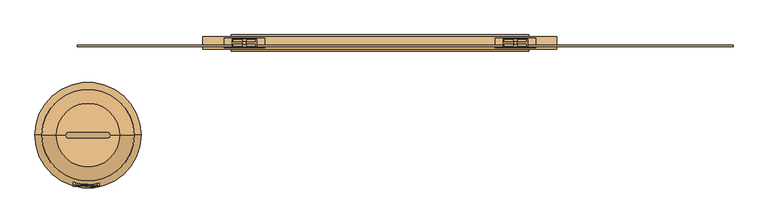
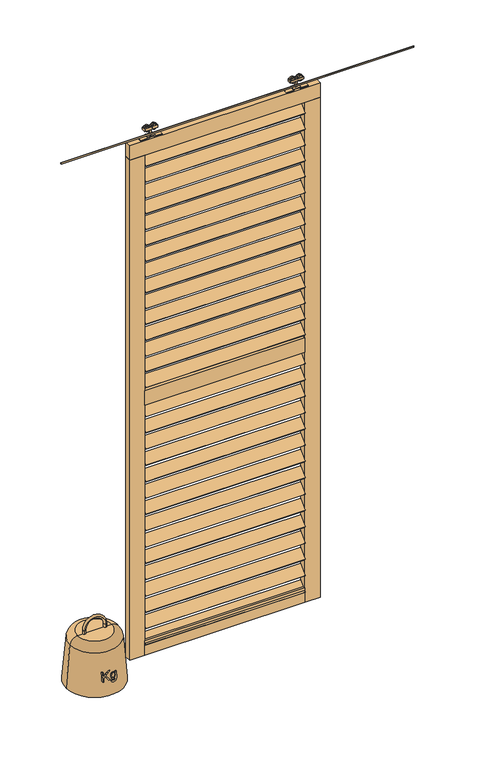
"""IFC4 building model written with IfcOpenShell, lengths in millimetres: door geometry."""

from ifc_helpers import new_model, si_unit, point, frame, frame_2d, origin, place, context, project, spatial, polyline, circle_curve, ellipse_curve, trimmed, segment, composite_curve, outline, extrude, source, transform, mapped, element, save
from ifc_brep_helpers import plane_surface, cylinder_surface, revolved_surface, advanced_brep


def door_82ee555a(model_context):
    return source(origin(), model_context, "Body", "SolidModel", [
        extrude(outline(polyline([(0.0, -5.0), (0.0, 0.0), (840.0, 0.0), (840.0, -5.0), (0.0, -5.0)])), frame((-422.5, -24.1880102, 2668.197601), z_axis=(0.0, 0.7071067811865482, 0.707106781186547), x_axis=(1.0, 0.0, 0.0)), (0.0, 0.0, 1.0), 60.0),
        extrude(outline(polyline([(0.0, -5.0), (0.0, 0.0), (840.0, 0.0), (840.0, -5.0), (0.0, -5.0)])), frame((-422.5, -24.1880102, 2580.3761725), z_axis=(0.0, 0.7071067811865482, 0.707106781186547), x_axis=(1.0, 0.0, 0.0)), (0.0, 0.0, 1.0), 60.0),
        extrude(outline(polyline([(0.0, -5.0), (0.0, 0.0), (840.0, 0.0), (840.0, -5.0), (0.0, -5.0)])), frame((-422.5, -24.1880102, 2492.5547439), z_axis=(0.0, 0.7071067811865482, 0.707106781186547), x_axis=(1.0, 0.0, 0.0)), (0.0, 0.0, 1.0), 60.0),
        extrude(outline(polyline([(0.0, -5.0), (0.0, 0.0), (840.0, 0.0), (840.0, -5.0), (0.0, -5.0)])), frame((-422.5, -24.1880102, 2404.7333153), z_axis=(0.0, 0.7071067811865482, 0.707106781186547), x_axis=(1.0, 0.0, 0.0)), (0.0, 0.0, 1.0), 60.0),
        extrude(outline(polyline([(0.0, -5.0), (0.0, 0.0), (840.0, 0.0), (840.0, -5.0), (0.0, -5.0)])), frame((-422.5, -24.1880102, 1275.8404582), z_axis=(0.0, 0.7071067811865482, 0.707106781186547), x_axis=(1.0, 0.0, 0.0)), (0.0, 0.0, 1.0), 60.0),
        extrude(outline(polyline([(0.0, -5.0), (0.0, 0.0), (840.0, 0.0), (840.0, -5.0), (0.0, -5.0)])), frame((-422.5, -24.1880102, 1185.1618868), z_axis=(0.0, 0.7071067811865482, 0.707106781186547), x_axis=(1.0, 0.0, 0.0)), (0.0, 0.0, 1.0), 60.0),
        extrude(outline(polyline([(0.0, -5.0), (0.0, 0.0), (840.0, 0.0), (840.0, -5.0), (0.0, -5.0)])), frame((-422.5, -24.1880102, 1094.4833153), z_axis=(0.0, 0.7071067811865482, 0.707106781186547), x_axis=(1.0, 0.0, 0.0)), (0.0, 0.0, 1.0), 60.0),
        extrude(outline(polyline([(0.0, -5.0), (0.0, 0.0), (840.0, 0.0), (840.0, -5.0), (0.0, -5.0)])), frame((-422.5, -24.1880102, 1003.8047439), z_axis=(0.0, 0.7071067811865482, 0.707106781186547), x_axis=(1.0, 0.0, 0.0)), (0.0, 0.0, 1.0), 60.0),
        extrude(outline(polyline([(0.0, -5.0), (0.0, 0.0), (840.0, 0.0), (840.0, -5.0), (0.0, -5.0)])), frame((-422.5, -24.1880102, 2316.9118868), z_axis=(0.0, 0.7071067811865482, 0.707106781186547), x_axis=(1.0, 0.0, 0.0)), (0.0, 0.0, 1.0), 60.0),
        extrude(outline(polyline([(0.0, -5.0), (0.0, 0.0), (840.0, 0.0), (840.0, -5.0), (0.0, -5.0)])), frame((-422.5, -24.1880102, 2229.0904582), z_axis=(0.0, 0.7071067811865482, 0.707106781186547), x_axis=(1.0, 0.0, 0.0)), (0.0, 0.0, 1.0), 60.0),
        extrude(outline(polyline([(0.0, -5.0), (0.0, 0.0), (840.0, 0.0), (840.0, -5.0), (0.0, -5.0)])), frame((-422.5, -24.1880102, 2141.2690296), z_axis=(0.0, 0.7071067811865482, 0.707106781186547), x_axis=(1.0, 0.0, 0.0)), (0.0, 0.0, 1.0), 60.0),
        extrude(outline(polyline([(0.0, -5.0), (0.0, 0.0), (840.0, 0.0), (840.0, -5.0), (0.0, -5.0)])), frame((-422.5, -24.1880102, 2053.447601), z_axis=(0.0, 0.7071067811865482, 0.707106781186547), x_axis=(1.0, 0.0, 0.0)), (0.0, 0.0, 1.0), 60.0),
        extrude(outline(polyline([(0.0, -5.0), (0.0, 0.0), (840.0, 0.0), (840.0, -5.0), (0.0, -5.0)])), frame((-422.5, -24.1880102, 913.1261725), z_axis=(0.0, 0.7071067811865482, 0.707106781186547), x_axis=(1.0, 0.0, 0.0)), (0.0, 0.0, 1.0), 60.0),
        extrude(outline(polyline([(0.0, -5.0), (0.0, 0.0), (840.0, 0.0), (840.0, -5.0), (0.0, -5.0)])), frame((-422.5, -24.1880102, 822.447601), z_axis=(0.0, 0.7071067811865482, 0.707106781186547), x_axis=(1.0, 0.0, 0.0)), (0.0, 0.0, 1.0), 60.0),
        extrude(outline(polyline([(0.0, -5.0), (0.0, 0.0), (840.0, 0.0), (840.0, -5.0), (0.0, -5.0)])), frame((-422.5, -24.1880102, 731.7690296), z_axis=(0.0, 0.7071067811865482, 0.707106781186547), x_axis=(1.0, 0.0, 0.0)), (0.0, 0.0, 1.0), 60.0),
        extrude(outline(polyline([(0.0, -5.0), (0.0, 0.0), (840.0, 0.0), (840.0, -5.0), (0.0, -5.0)])), frame((-422.5, -24.1880102, 641.0904582), z_axis=(0.0, 0.7071067811865482, 0.707106781186547), x_axis=(1.0, 0.0, 0.0)), (0.0, 0.0, 1.0), 60.0),
        extrude(outline(polyline([(0.0, -5.0), (0.0, 0.0), (840.0, 0.0), (840.0, -5.0), (0.0, -5.0)])), frame((-422.5, -24.1880102, 1965.6261725), z_axis=(0.0, 0.7071067811865482, 0.707106781186547), x_axis=(1.0, 0.0, 0.0)), (0.0, 0.0, 1.0), 60.0),
        extrude(outline(polyline([(0.0, -5.0), (0.0, 0.0), (840.0, 0.0), (840.0, -5.0), (0.0, -5.0)])), frame((-422.5, -24.1880102, 1877.8047439), z_axis=(0.0, 0.7071067811865482, 0.707106781186547), x_axis=(1.0, 0.0, 0.0)), (0.0, 0.0, 1.0), 60.0),
        extrude(outline(polyline([(0.0, -5.0), (0.0, 0.0), (840.0, 0.0), (840.0, -5.0), (0.0, -5.0)])), frame((-422.5, -24.1880102, 1789.9833153), z_axis=(0.0, 0.7071067811865482, 0.707106781186547), x_axis=(1.0, 0.0, 0.0)), (0.0, 0.0, 1.0), 60.0),
        extrude(outline(polyline([(0.0, -5.0), (0.0, 0.0), (840.0, 0.0), (840.0, -5.0), (0.0, -5.0)])), frame((-422.5, -24.1880102, 1702.1618868), z_axis=(0.0, 0.7071067811865482, 0.707106781186547), x_axis=(1.0, 0.0, 0.0)), (0.0, 0.0, 1.0), 60.0),
        extrude(outline(polyline([(0.0, -5.0), (0.0, 0.0), (840.0, 0.0), (840.0, -5.0), (0.0, -5.0)])), frame((-422.5, -24.1880102, 1614.3404582), z_axis=(0.0, 0.7071067811865482, 0.707106781186547), x_axis=(1.0, 0.0, 0.0)), (0.0, 0.0, 1.0), 60.0),
        extrude(outline(polyline([(0.0, -5.0), (0.0, 0.0), (840.0, 0.0), (840.0, -5.0), (0.0, -5.0)])), frame((-422.5, -24.1880102, 2756.0190296), z_axis=(0.0, 0.7071067811865482, 0.707106781186547), x_axis=(1.0, 0.0, 0.0)), (0.0, 0.0, 1.0), 60.0),
        extrude(outline(polyline([(0.0, -5.0), (0.0, 0.0), (840.0, 0.0), (840.0, -5.0), (0.0, -5.0)])), frame((-422.5, -24.1880102, 1526.5190296), z_axis=(0.0, 0.7071067811865482, 0.707106781186547), x_axis=(1.0, 0.0, 0.0)), (0.0, 0.0, 1.0), 60.0),
        extrude(outline(polyline([(0.0, -5.0), (0.0, 0.0), (840.0, 0.0), (840.0, -5.0), (0.0, -5.0)])), frame((-422.5, -24.1880102, 550.4118868), z_axis=(0.0, 0.7071067811865482, 0.707106781186547), x_axis=(1.0, 0.0, 0.0)), (0.0, 0.0, 1.0), 60.0),
        extrude(outline(polyline([(0.0, -5.0), (0.0, 0.0), (840.0, 0.0), (840.0, -5.0), (0.0, -5.0)])), frame((-422.5, -24.1880102, 459.7333153), z_axis=(0.0, 0.7071067811865482, 0.707106781186547), x_axis=(1.0, 0.0, 0.0)), (0.0, 0.0, 1.0), 60.0),
        extrude(outline(polyline([(0.0, -5.0), (0.0, 0.0), (840.0, 0.0), (840.0, -5.0), (0.0, -5.0)])), frame((-422.5, -24.1880102, 369.0547439), z_axis=(0.0, 0.7071067811865482, 0.707106781186547), x_axis=(1.0, 0.0, 0.0)), (0.0, 0.0, 1.0), 60.0),
        extrude(outline(polyline([(0.0, -5.0), (0.0, 0.0), (840.0, 0.0), (840.0, -5.0), (0.0, -5.0)])), frame((-422.5, -24.1880102, 278.3761725), z_axis=(0.0, 0.7071067811865482, 0.707106781186547), x_axis=(1.0, 0.0, 0.0)), (0.0, 0.0, 1.0), 60.0),
        extrude(outline(polyline([(0.0, -5.0), (0.0, 0.0), (840.0, 0.0), (840.0, -5.0), (0.0, -5.0)])), frame((-422.5, -24.1880102, 187.697601), z_axis=(0.0, 0.7071067811865482, 0.707106781186547), x_axis=(1.0, 0.0, 0.0)), (0.0, 0.0, 1.0), 60.0),
        extrude(outline(polyline([(0.0, -5.0), (0.0, 0.0), (840.0, 0.0), (840.0, -5.0), (0.0, -5.0)])), frame((-422.5, -24.1880102, 1366.5190296), z_axis=(0.0, 0.7071067811865482, 0.707106781186547), x_axis=(1.0, 0.0, 0.0)), (0.0, 0.0, 1.0), 60.0),
        extrude(outline(polyline([(0.0, -5.0), (0.0, 0.0), (840.0, 0.0), (840.0, -5.0), (0.0, -5.0)])), frame((-422.5, -24.1880102, 97.0190296), z_axis=(0.0, 0.7071067811865482, 0.707106781186547), x_axis=(1.0, 0.0, 0.0)), (0.0, 0.0, 1.0), 60.0),
        extrude(outline(polyline([(417.5, -22.2425737), (-422.5, -22.2425737), (-422.5, 12.7574263), (417.5, 12.7574263), (417.5, -22.2425737)])), frame((0.0, 0.0, 1429.5), z_axis=(0.0, 0.0, 1.0), x_axis=(1.0, 0.0, 0.0)), (0.0, 0.0, 1.0), 80.0),
        extrude(outline(polyline([(417.5, -22.2425737), (-422.5, -22.2425737), (-422.5, 12.7574263), (417.5, 12.7574263), (417.5, -22.2425737)])), frame((0.0, 0.0, 40.0), z_axis=(0.0, 0.0, 1.0), x_axis=(1.0, 0.0, 0.0)), (0.0, 0.0, 1.0), 80.0),
        extrude(outline(polyline([(497.5, -22.2425737), (-502.5, -22.2425737), (-502.5, 12.7574263), (497.5, 12.7574263), (497.5, -22.2425737)])), frame((0.0, 0.0, 2819.0), z_axis=(0.0, 0.0, 1.0), x_axis=(1.0, 0.0, 0.0)), (0.0, 0.0, 1.0), 80.0),
        extrude(outline(polyline([(-422.5, -22.2425737), (-502.5, -22.2425737), (-502.5, 12.7574263), (-422.5, 12.7574263), (-422.5, -22.2425737)])), frame((0.0, 0.0, 40.0), z_axis=(0.0, 0.0, 1.0), x_axis=(1.0, 0.0, 0.0)), (0.0, 0.0, 1.0), 2779.0),
        extrude(outline(polyline([(497.5, -22.2425737), (417.5, -22.2425737), (417.5, 12.7574263), (497.5, 12.7574263), (497.5, -22.2425737)])), frame((0.0, 0.0, 40.0), z_axis=(0.0, 0.0, 1.0), x_axis=(1.0, 0.0, 0.0)), (0.0, 0.0, 1.0), 2779.0),
        extrude(outline(polyline([(6.2785194, 0.0), (6.2785194, -50.2281551), (0.0, -50.2281551), (0.0, -25.6413751), (-25.7517396, -50.2281551), (-34.5318566, -50.2281551), (-12.912658, -29.5777124), (-35.3166715, 0.0), (-27.6402006, 0.0), (-8.4612859, -25.3348068), (0.0, -17.2659284), (0.0, 0.0), (6.2785194, 0.0)])), frame((-863.2995538, -398.5212701, 280.1100723), z_axis=(0.0, -0.9961946980917454, 0.0871557427476597), x_axis=(-1.0, 0.0, 0.0)), (0.0, 0.0, 1.0), 12.0),
        extrude(outline(polyline([(9.6354382, -1e-07), (6.4107788, -5.4440162), (2.562612, -5.9895852), (-1.1508793, -11.0203045), (-2.264077, -17.5435275), (0.5832507, -22.1257575), (7.1249282, -25.4402006), (6.7211591, -14.565902), (10.5604097, -9.1770028), (16.2559555, -6.3911654), (29.9074113, -7.9647406), (38.1130915, -13.4943345), (42.3523667, -21.0091694), (41.3863337, -29.3148905), (32.3124298, -36.3996478), (36.6302872, -38.2784102), (34.1252706, -44.0355535), (4.923511, -31.3294443), (-5.5740995, -24.8895244), (-8.6047712, -17.6397918), (-6.8590964, -8.4028437), (0.0, 0.0), (9.6354382, -1e-07)]), holes=[polyline([(27.7959496, -13.8931252), (17.8157111, -12.4726373), (12.3266314, -17.4194955), (12.4365435, -24.789183), (20.1122337, -31.0911656), (29.8128638, -32.2629457), (35.3943452, -27.3496062), (35.1736627, -20.0654535), (27.7959496, -13.8931252)])]), frame((-821.7840707, -399.5649217, 268.1810802), z_axis=(0.0, -0.9961946980917454, 0.08715574274765969), x_axis=(-0.3989820462118696, 0.07991821986062385, 0.9134694329504949)), (0.0, 0.0, 1.0), 12.0),
        advanced_brep(
        [(-772.5, -273.0299933, 490.0), (-882.5, -273.0299933, 490.0), (-882.5, -258.0299933, 490.0), (-772.5, -258.0299933, 490.0), (-882.5, -258.0299933, 470.0), (-882.5, -273.0299933, 470.0), (-772.5, -258.0299933, 470.0), (-772.5, -273.0299933, 470.0)],
        [
            (0, 1, circle_curve(frame((-827.5, -273.0299933, 490.0), z_axis=(0.0, -1.0, 0.0), x_axis=(-1.0, 0.0, 0.0)), 55.0)),
            (1, 2, circle_curve(frame((-882.5, -265.5299933, 490.0), z_axis=(0.0, 0.0, 1.0), x_axis=(0.0, -1.0, 0.0)), 7.5)),
            (2, 3, circle_curve(frame((-827.5, -258.0299933, 490.0), z_axis=(0.0, 1.0, 0.0), x_axis=(-1.0, 0.0, 0.0)), 55.0)),
            (3, 0, circle_curve(frame((-772.5, -265.5299933, 490.0), z_axis=(0.0, 0.0, 1.0), x_axis=(0.0, -1.0, 0.0)), 7.5)),
            (2, 1, circle_curve(frame((-882.5, -265.5299933, 490.0), z_axis=(0.0, 0.0, 1.0), x_axis=(0.0, -1.0, 0.0)), 7.5)),
            (0, 3, circle_curve(frame((-772.5, -265.5299933, 490.0), z_axis=(0.0, 0.0, 1.0), x_axis=(0.0, -1.0, 0.0)), 7.5)),
            (4, 5, circle_curve(frame((-882.5, -265.5299933, 470.0), z_axis=(0.0, 0.0, -1.0), x_axis=(0.0, -1.0, 0.0)), 7.5)),
            (5, 4, circle_curve(frame((-882.5, -265.5299933, 470.0), z_axis=(0.0, 0.0, -1.0), x_axis=(0.0, -1.0, 0.0)), 7.5)),
            (4, 2),
            (1, 5),
            (6, 7, circle_curve(frame((-772.5, -265.5299933, 470.0), z_axis=(0.0, 0.0, -1.0), x_axis=(0.0, -1.0, 0.0)), 7.5)),
            (7, 6, circle_curve(frame((-772.5, -265.5299933, 470.0), z_axis=(0.0, 0.0, -1.0), x_axis=(0.0, -1.0, 0.0)), 7.5)),
            (3, 6),
            (7, 0),
        ],
        [
            revolved_surface(trimmed(ellipse_curve(frame((-882.5, -265.5299933, 490.0), z_axis=(0.0, 0.0, -1.0), x_axis=(0.0, -1.0, 0.0)), 7.5, 7.5), [point((-882.5, -258.0299933, 490.0))], [point((-882.5, -273.0299933, 490.0))], True, "CARTESIAN"), (-827.5, -265.5299933, 490.0), (0.0, 1.0, 0.0)),
            revolved_surface(trimmed(ellipse_curve(frame((-882.5, -265.5299933, 490.0), z_axis=(0.0, 0.0, -1.0), x_axis=(0.0, -1.0, 0.0)), 7.5, 7.5), [point((-882.5, -273.0299933, 490.0))], [point((-882.5, -258.0299933, 490.0))], True, "CARTESIAN"), (-827.5, -265.5299933, 490.0), (0.0, 1.0, 0.0)),
            plane_surface(frame((-882.5, -265.5299933, 470.0), z_axis=(0.0, 0.0, -1.0), x_axis=(0.0, -1.0, 0.0))),
            cylinder_surface(frame((-882.5, -265.5299933, 470.0), z_axis=(0.0, 0.0, -1.0), x_axis=(0.0, -1.0, 0.0)), 7.5),
            plane_surface(frame((-772.5, -265.5299933, 470.0), z_axis=(0.0, 0.0, -1.0), x_axis=(0.0, -1.0, 0.0))),
            cylinder_surface(frame((-772.5, -265.5299933, 490.0), z_axis=(0.0, 0.0, 1.0), x_axis=(0.0, -1.0, 0.0)), 7.5),
        ],
        [
            (0, [[1, 2, 3, 4]]),
            (1, [[-3, 5, -1, 6]]),
            (2, [[7, 8]]),
            (3, [[-7, 9, -2, 10]]),
            (3, [[-8, -10, -5, -9]]),
            (4, [[11, 12]]),
            (5, [[-4, 13, -12, 14]]),
            (5, [[-6, -14, -11, -13]]),
        ],
    ),
        advanced_brep(
        [(-957.9466731, -265.5299933, 433.3401934), (-697.0533269, -265.5299933, 433.3401934), (-677.5, -265.5299933, 200.0), (-977.5, -265.5299933, 200.0), (-918.0863782, -265.5299933, 470.0), (-736.9136218, -265.5299933, 470.0), (-827.5, -265.5299933, 470.0), (-827.5, -265.5299933, 200.0)],
        [
            (0, 1, circle_curve(frame((-827.5, -265.5299933, 433.3401934), z_axis=(0.0, 0.0, -1.0), x_axis=(1.0, 0.0, 0.0)), 130.4466731)),
            (1, 2),
            (2, 3, circle_curve(frame((-827.5, -265.5299933, 200.0), z_axis=(0.0, 0.0, 1.0), x_axis=(1.0, 0.0, 0.0)), 150.0)),
            (3, 0),
            (1, 0, circle_curve(frame((-827.5, -265.5299933, 433.3401934), z_axis=(0.0, 0.0, -1.0), x_axis=(1.0, 0.0, 0.0)), 130.4466731)),
            (3, 2, circle_curve(frame((-827.5, -265.5299933, 200.0), z_axis=(0.0, 0.0, 1.0), x_axis=(1.0, 0.0, 0.0)), 150.0)),
            (4, 5, circle_curve(frame((-827.5, -265.5299933, 470.0), z_axis=(0.0, 0.0, -1.0), x_axis=(1.0, 0.0, 0.0)), 90.5863782)),
            (5, 1, circle_curve(frame((-736.9136218, -265.5299933, 430.0), z_axis=(0.0, 1.0, 0.0), x_axis=(1.0, 0.0, 0.0)), 40.0)),
            (0, 4, circle_curve(frame((-918.0863782, -265.5299933, 430.0), z_axis=(0.0, 1.0, 0.0), x_axis=(-1.0, 0.0, 0.0)), 40.0)),
            (5, 4, circle_curve(frame((-827.5, -265.5299933, 470.0), z_axis=(0.0, 0.0, -1.0), x_axis=(1.0, 0.0, 0.0)), 90.5863782)),
            (6, 5),
            (4, 6),
            (2, 7),
            (7, 3),
        ],
        [
            revolved_surface(polyline([(-677.5, -265.5299933, 200.0), (-697.0533269, -265.5299933, 433.3401934)]), (-827.5, -265.5299933, 525.0), (0.0, 0.0, 1.0)),
            revolved_surface(trimmed(ellipse_curve(frame((-736.9136218, -265.5299933, 430.0), z_axis=(0.0, -1.0, 0.0), x_axis=(1.0, 0.0, 0.0)), 40.0, 40.0), [point((-697.0533269, -265.5299933, 433.3401934))], [point((-736.9136218, -265.5299933, 470.0))], True, "CARTESIAN"), (-827.5, -265.5299933, 525.0), (0.0, 0.0, 1.0)),
            plane_surface(frame((-827.5, -265.5299933, 470.0), z_axis=(0.0, 0.0, 1.0), x_axis=(1.0, 0.0, 0.0))),
            plane_surface(frame((-827.5, -265.5299933, 200.0), z_axis=(0.0, 0.0, -1.0), x_axis=(1.0, 0.0, 0.0))),
        ],
        [
            (0, [[1, 2, 3, 4]]),
            (0, [[5, -4, 6, -2]]),
            (1, [[7, 8, -1, 9]]),
            (1, [[10, -9, -5, -8]]),
            (2, [[11, -7, 12]]),
            (2, [[-12, -10, -11]]),
            (3, [[-3, 13, 14]]),
            (3, [[-6, -14, -13]]),
        ],
    ),
        extrude(outline(composite_curve([segment(trimmed(circle_curve(frame_2d((2952.430297, -404.25)), 13.5), [point((2952.430297, -417.75))], [point((2952.430297, -390.75))], False, "CARTESIAN"), True, "CONTINUOUS"), segment(trimmed(circle_curve(frame_2d((2952.430297, -404.25)), 13.5), [point((2952.430297, -390.75))], [point((2952.430297, -417.75))], False, "CARTESIAN"), True, "CONTINUOUS")], self_intersect=False)), frame((0.0, -13.9509888, 0.0), z_axis=(0.0, 1.0, 0.0), x_axis=(0.0, 0.0, 1.0)), (0.0, 0.0, 1.0), 5.2084151),
        extrude(outline(composite_curve([segment(trimmed(circle_curve(frame_2d((2952.430297, -366.75)), 13.5), [point((2952.430297, -353.25))], [point((2952.430297, -380.25))], False, "CARTESIAN"), True, "CONTINUOUS"), segment(trimmed(circle_curve(frame_2d((2952.430297, -366.75)), 13.5), [point((2952.430297, -380.25))], [point((2952.430297, -353.25))], False, "CARTESIAN"), True, "CONTINUOUS")], self_intersect=False)), frame((0.0, -13.9509888, 0.0), z_axis=(0.0, 1.0, 0.0), x_axis=(0.0, 0.0, 1.0)), (0.0, 0.0, 1.0), 5.2084151),
        extrude(outline(composite_curve([segment(trimmed(circle_curve(frame_2d((2952.430297, -404.25)), 13.5), [point((2952.430297, -417.75))], [point((2952.430297, -390.75))], False, "CARTESIAN"), True, "CONTINUOUS"), segment(trimmed(circle_curve(frame_2d((2952.430297, -404.25)), 13.5), [point((2952.430297, -390.75))], [point((2952.430297, -417.75))], False, "CARTESIAN"), True, "CONTINUOUS")], self_intersect=False)), frame((0.0, -0.7425737, 0.0), z_axis=(0.0, 1.0, 0.0), x_axis=(0.0, 0.0, 1.0)), (0.0, 0.0, 1.0), 5.0880554),
        extrude(outline(composite_curve([segment(trimmed(circle_curve(frame_2d((2952.430297, -366.75)), 13.5), [point((2952.430297, -353.25))], [point((2952.430297, -380.25))], False, "CARTESIAN"), True, "CONTINUOUS"), segment(trimmed(circle_curve(frame_2d((2952.430297, -366.75)), 13.5), [point((2952.430297, -380.25))], [point((2952.430297, -353.25))], False, "CARTESIAN"), True, "CONTINUOUS")], self_intersect=False)), frame((0.0, -0.7425737, 0.0), z_axis=(0.0, 1.0, 0.0), x_axis=(0.0, 0.0, 1.0)), (0.0, 0.0, 1.0), 5.0880554),
        extrude(outline(polyline([(-420.5, -15.2425737), (-420.5, 5.7574263), (-350.5, 5.7574263), (-350.5, -15.2425737), (-420.5, -15.2425737)])), frame((0.0, 0.0, 2944.5), z_axis=(0.0, 0.0, 1.0), x_axis=(1.0, 0.0, 0.0)), (0.0, 0.0, 1.0), 13.0),
        extrude(outline(polyline([(-389.5, -8.7425737), (-389.5, -0.7425737), (-381.5, -0.7425737), (-381.5, -8.7425737), (-389.5, -8.7425737)])), frame((0.0, 0.0, 2903.0), z_axis=(0.0, 0.0, 1.0), x_axis=(1.0, 0.0, 0.0)), (0.0, 0.0, 1.0), 56.0),
        extrude(outline(polyline([(2903.0, -328.5), (2903.0, -366.5), (2909.0, -366.5), (2909.0, -404.5), (2903.0, -404.5), (2903.0, -442.5), (2899.0, -442.5), (2899.0, -400.5), (2905.0, -400.5), (2905.0, -370.5), (2899.0, -370.5), (2899.0, -328.5), (2903.0, -328.5)])), frame((0.0, -17.7425737, 0.0), z_axis=(0.0, 1.0, 0.0), x_axis=(0.0, 0.0, 1.0)), (0.0, 0.0, 1.0), 26.0),
        extrude(outline(composite_curve([segment(trimmed(circle_curve(frame_2d((2952.430297, 399.25)), 13.5), [point((2952.430297, 412.75))], [point((2952.430297, 385.75))], False, "CARTESIAN"), True, "CONTINUOUS"), segment(trimmed(circle_curve(frame_2d((2952.430297, 399.25)), 13.5), [point((2952.430297, 385.75))], [point((2952.430297, 412.75))], False, "CARTESIAN"), True, "CONTINUOUS")], self_intersect=False)), frame((0.0, -13.9509888, 0.0), z_axis=(0.0, 1.0, 0.0), x_axis=(0.0, 0.0, 1.0)), (0.0, 0.0, 1.0), 5.2084151),
        extrude(outline(composite_curve([segment(trimmed(circle_curve(frame_2d((2952.430297, 361.75)), 13.5), [point((2952.430297, 348.25))], [point((2952.430297, 375.25))], False, "CARTESIAN"), True, "CONTINUOUS"), segment(trimmed(circle_curve(frame_2d((2952.430297, 361.75)), 13.5), [point((2952.430297, 375.25))], [point((2952.430297, 348.25))], False, "CARTESIAN"), True, "CONTINUOUS")], self_intersect=False)), frame((0.0, -13.9509888, 0.0), z_axis=(0.0, 1.0, 0.0), x_axis=(0.0, 0.0, 1.0)), (0.0, 0.0, 1.0), 5.2084151),
        extrude(outline(composite_curve([segment(trimmed(circle_curve(frame_2d((2952.430297, 399.25)), 13.5), [point((2952.430297, 412.75))], [point((2952.430297, 385.75))], False, "CARTESIAN"), True, "CONTINUOUS"), segment(trimmed(circle_curve(frame_2d((2952.430297, 399.25)), 13.5), [point((2952.430297, 385.75))], [point((2952.430297, 412.75))], False, "CARTESIAN"), True, "CONTINUOUS")], self_intersect=False)), frame((0.0, -0.7425737, 0.0), z_axis=(0.0, 1.0, 0.0), x_axis=(0.0, 0.0, 1.0)), (0.0, 0.0, 1.0), 5.0880554),
        extrude(outline(composite_curve([segment(trimmed(circle_curve(frame_2d((2952.430297, 361.75)), 13.5), [point((2952.430297, 348.25))], [point((2952.430297, 375.25))], False, "CARTESIAN"), True, "CONTINUOUS"), segment(trimmed(circle_curve(frame_2d((2952.430297, 361.75)), 13.5), [point((2952.430297, 375.25))], [point((2952.430297, 348.25))], False, "CARTESIAN"), True, "CONTINUOUS")], self_intersect=False)), frame((0.0, -0.7425737, 0.0), z_axis=(0.0, 1.0, 0.0), x_axis=(0.0, 0.0, 1.0)), (0.0, 0.0, 1.0), 5.0880554),
        extrude(outline(polyline([(415.5, -15.2425737), (345.5, -15.2425737), (345.5, 5.7574263), (415.5, 5.7574263), (415.5, -15.2425737)])), frame((0.0, 0.0, 2944.5), z_axis=(0.0, 0.0, 1.0), x_axis=(1.0, 0.0, 0.0)), (0.0, 0.0, 1.0), 13.0),
        extrude(outline(polyline([(384.5, -8.7425737), (376.5, -8.7425737), (376.5, -0.7425737), (384.5, -0.7425737), (384.5, -8.7425737)])), frame((0.0, 0.0, 2903.0), z_axis=(0.0, 0.0, 1.0), x_axis=(1.0, 0.0, 0.0)), (0.0, 0.0, 1.0), 56.0),
        extrude(outline(polyline([(2903.0, 323.5), (2899.0, 323.5), (2899.0, 365.5), (2905.0, 365.5), (2905.0, 395.5), (2899.0, 395.5), (2899.0, 437.5), (2903.0, 437.5), (2903.0, 399.5), (2909.0, 399.5), (2909.0, 361.5), (2903.0, 361.5), (2903.0, 323.5)])), frame((0.0, -17.7425737, 0.0), z_axis=(0.0, 1.0, 0.0), x_axis=(0.0, 0.0, 1.0)), (0.0, 0.0, 1.0), 26.0),
        extrude(outline(polyline([(995.5, -14.7394005), (-857.5, -14.7394005), (-857.5, -10.9693523), (995.5, -10.9693523), (995.5, -14.7394005)])), frame((0.0, 0.0, 2916.3008197), z_axis=(0.0, 0.0, 1.0), x_axis=(1.0, 0.0, 0.0)), (0.0, 0.0, 1.0), 6.6991803),
    ])


if __name__ == "__main__":
    model = new_model("IFC4")
    model_context = context("Model", 3, world=origin())
    ifc_project = project(units=[si_unit("LENGTHUNIT", "METRE", prefix="MILLI")], contexts=[model_context])
    site = spatial("IfcSite", under=ifc_project)
    building = spatial("IfcBuilding", under=site)
    placement = place(None, origin())
    door_shape = door_82ee555a(model_context)
    element("IfcDoor", 1, at=placement, inside=building, context=model_context, shape_type="MappedRepresentation", body=[
        mapped(door_shape, transform((0.0, 0.0, 0.0), x_axis=(1.0, 0.0, 0.0), y_axis=(0.0, 1.0, 0.0), z_axis=(0.0, 0.0, 1.0))),
    ])
    save(model, "model.ifc")
